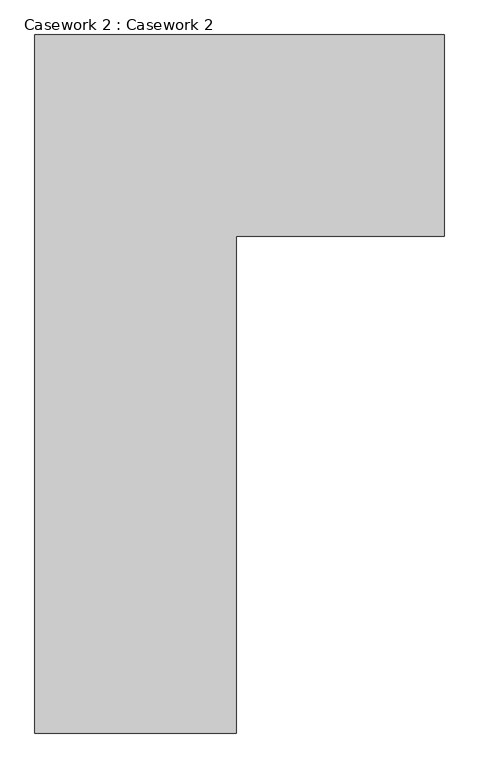
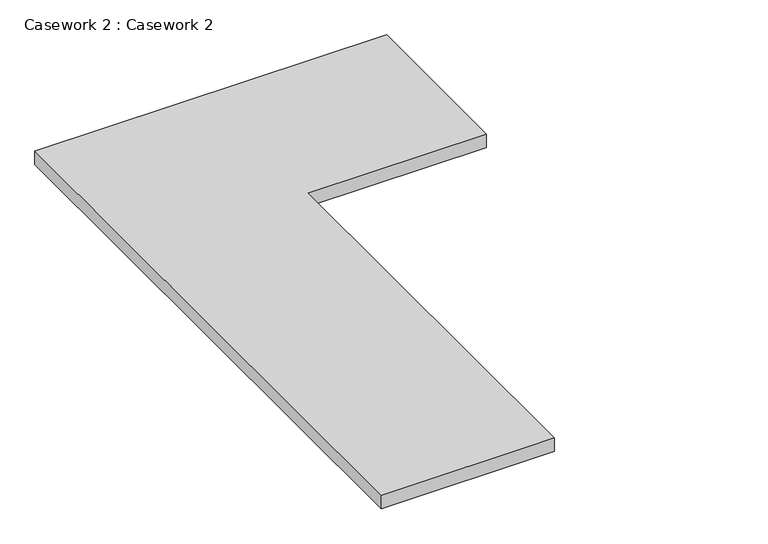
"""IFC4 building model written with IfcOpenShell, lengths in millimetres: furniture geometry, Casework 2 : Casework 2."""

from ifc_helpers import new_model, si_unit, frame, origin, place, context, project, spatial, polyline, outline, extrude, source, transform, mapped, element, save


def casework_2_casework_2_3e62ca8d(model_context):
    return source(origin(), model_context, "Body", "SweptSolid", [
        extrude(outline(polyline([(21485.9542779, -18030.2347044), (21485.9542779, -15902.9847044), (22732.5764898, -15902.9847044), (22732.5764898, -16515.7597044), (22098.7292779, -16515.7597044), (22098.7292779, -18030.2347044), (21485.9542779, -18030.2347044)])), frame((0.0, 0.0, 863.6), z_axis=(0.0, 0.0, 1.0), x_axis=(1.0, 0.0, 0.0)), (0.0, 0.0, 1.0), 50.8),
    ])


if __name__ == "__main__":
    model = new_model("IFC4")
    model_context = context("Model", 3, world=origin())
    ifc_project = project(units=[si_unit("LENGTHUNIT", "METRE", prefix="MILLI")], contexts=[model_context])
    site = spatial("IfcSite", under=ifc_project)
    building = spatial("IfcBuilding", under=site)
    placement = place(None, origin())
    casework_2_casework_2_shape = casework_2_casework_2_3e62ca8d(model_context)
    element("IfcFurniture", 1, ObjectType="Casework 2 : Casework 2", at=placement, inside=building, context=model_context, shape_type="MappedRepresentation", body=[
        mapped(casework_2_casework_2_shape, transform((0.0, 0.0, 0.0), x_axis=(1.0, 0.0, 0.0), y_axis=(0.0, 1.0, 0.0), z_axis=(0.0, 0.0, 1.0))),
    ])
    save(model, "model.ifc")
